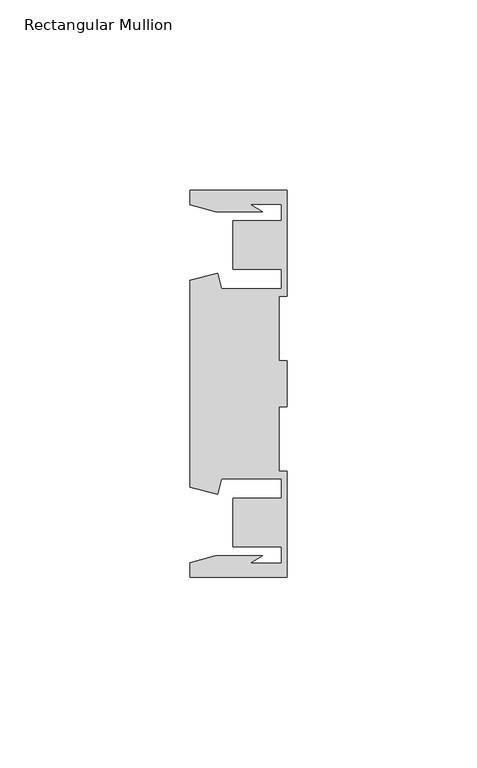
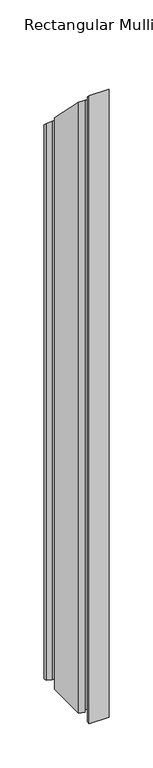
"""IFC4 building model written with IfcOpenShell, lengths in millimetres: member geometry, Rectangular Mullion."""

from ifc_helpers import new_model, si_unit, origin, place, context, project, spatial, faceted_brep, source, transform, mapped, element, save


def rectangular_mullion_76ccc153(model_context):
    return source(origin(), model_context, "Body", "Brep", [
        faceted_brep([(-25.4, 50.7954622, -812.8), (0.0, 50.7954622, -812.8), (0.0, 22.9938072, -812.8), (-2.0000011, 22.9938072, -812.8), (-2.0000011, 6.0000032, -812.8), (0.0, 6.0000032, -812.8), (0.0, -6.0000032, -812.8), (-2.0000011, -6.0000032, -812.8), (-2.0000011, -22.9938072, -812.8), (0.0, -22.9938072, -812.8), (0.0, -50.7954622, -812.8), (-25.4, -50.7954622, -812.8), (-25.4, -46.9998463, -812.8), (-18.7113002, -45.2076146, -812.8), (-6.3834869, -45.2076146, -812.8), (-9.7005662, -47.1227313, -812.8), (-1.4138425, -47.1227313, -812.8), (-1.4138425, -42.8128906, -812.8), (-14.1138425, -42.8128906, -812.8), (-14.1138425, -30.1128906, -812.8), (-1.4138425, -30.1128906, -812.8), (-1.4138425, -25.0120132, -812.8), (-17.1094033, -25.0120132, -812.8), (-18.2017212, -29.0885993, -812.8), (-25.4, -27.1598263, -812.8), (-25.4, 27.1598263, -812.8), (-18.2017212, 29.0885993, -812.8), (-17.1094033, 25.0120132, -812.8), (-1.4138425, 25.0120132, -812.8), (-1.4138425, 30.1128906, -812.8), (-14.1138425, 30.1128906, -812.8), (-14.1138425, 42.8128906, -812.8), (-1.4138425, 42.8128906, -812.8), (-1.4138425, 47.1227313, -812.8), (-9.7005662, 47.1227313, -812.8), (-6.3834869, 45.2076146, -812.8), (-18.7113002, 45.2076146, -812.8), (-25.4, 46.9998463, -812.8), (-25.4, 46.9998463, -46.9998463), (-25.4, 50.7954622, -50.7954622), (-18.7113002, 45.2076146, -45.2076146), (-6.3834869, 45.2076146, -45.2076146), (-9.7005662, 47.1227313, -47.1227313), (-1.4138425, 47.1227313, -47.1227313), (-1.4138425, 42.8128906, -42.8128906), (-14.1138425, 42.8128906, -42.8128906), (-14.1138425, 30.1128906, -30.1128906), (-1.4138425, 30.1128906, -30.1128906), (-1.4138425, 25.0120132, -25.0120132), (-17.1094033, 25.0120132, -25.0120132), (-18.2017212, 29.0885993, -29.0885993), (-25.4, 27.1598263, -27.1598263), (-25.4, -27.1598263, 27.1598263), (-18.2017212, -29.0885993, 29.0885993), (-17.1094033, -25.0120132, 25.0120132), (-1.4138425, -25.0120132, 25.0120132), (-1.4138425, -30.1128906, 30.1128906), (-14.1138425, -30.1128906, 30.1128906), (-14.1138425, -42.8128906, 42.8128906), (-1.4138425, -42.8128906, 42.8128906), (-1.4138425, -47.1227313, 47.1227313), (-9.7005662, -47.1227313, 47.1227313), (-6.3834869, -45.2076146, 45.2076146), (-18.7113002, -45.2076146, 45.2076146), (-25.4, -46.9998463, 46.9998463), (-25.4, -50.7954622, 50.7954622), (0.0, -50.7954622, 50.7954622), (0.0, -22.9938072, 22.9938072), (-2.0000011, -22.9938072, 22.9938072), (-2.0000011, -6.0000032, 6.0000032), (0.0, -6.0000032, 6.0000032), (0.0, 6.0000032, -6.0000032), (-2.0000011, 6.0000032, -6.0000032), (-2.0000011, 22.9938072, -22.9938072), (0.0, 22.9938072, -22.9938072), (0.0, 50.7954622, -50.7954622)], [[[0, 1, 2, 3, 4, 5, 6, 7, 8, 9, 10, 11, 12, 13, 14, 15, 16, 17, 18, 19, 20, 21, 22, 23, 24, 25, 26, 27, 28, 29, 30, 31, 32, 33, 34, 35, 36, 37]], [[38, 39, 0, 37]], [[40, 38, 37, 36]], [[41, 40, 36, 35]], [[42, 41, 35, 34]], [[43, 42, 34, 33]], [[44, 43, 33, 32]], [[45, 44, 32, 31]], [[46, 45, 31, 30]], [[47, 46, 30, 29]], [[48, 47, 29, 28]], [[49, 48, 28, 27]], [[50, 49, 27, 26]], [[51, 50, 26, 25]], [[52, 51, 25, 24]], [[53, 52, 24, 23]], [[54, 53, 23, 22]], [[55, 54, 22, 21]], [[56, 55, 21, 20]], [[57, 56, 20, 19]], [[58, 57, 19, 18]], [[59, 58, 18, 17]], [[60, 59, 17, 16]], [[61, 60, 16, 15]], [[62, 61, 15, 14]], [[63, 62, 14, 13]], [[64, 63, 13, 12]], [[65, 64, 12, 11]], [[66, 65, 11, 10]], [[67, 66, 10, 9]], [[68, 67, 9, 8]], [[69, 68, 8, 7]], [[70, 69, 7, 6]], [[71, 70, 6, 5]], [[72, 71, 5, 4]], [[73, 72, 4, 3]], [[74, 73, 3, 2]], [[75, 74, 2, 1]], [[39, 75, 1, 0]], [[39, 38, 40, 41, 42, 43, 44, 45, 46, 47, 48, 49, 50, 51, 52, 53, 54, 55, 56, 57, 58, 59, 60, 61, 62, 63, 64, 65, 66, 67, 68, 69, 70, 71, 72, 73, 74, 75]]]),
    ])


if __name__ == "__main__":
    model = new_model("IFC4")
    model_context = context("Model", 3, world=origin())
    ifc_project = project(units=[si_unit("LENGTHUNIT", "METRE", prefix="MILLI")], contexts=[model_context])
    site = spatial("IfcSite", under=ifc_project)
    building = spatial("IfcBuilding", under=site)
    placement = place(None, origin())
    rectangular_mullion_shape = rectangular_mullion_76ccc153(model_context)
    element("IfcMember", 1, ObjectType="Rectangular Mullion", at=placement, inside=building, context=model_context, shape_type="MappedRepresentation", body=[
        mapped(rectangular_mullion_shape, transform((0.0, 0.0, 0.0), x_axis=(1.0, 0.0, 0.0), y_axis=(0.0, 1.0, 0.0), z_axis=(0.0, 0.0, 1.0))),
    ])
    save(model, "model.ifc")
